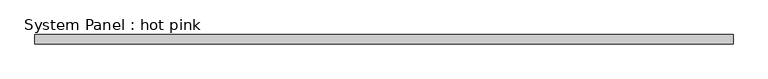
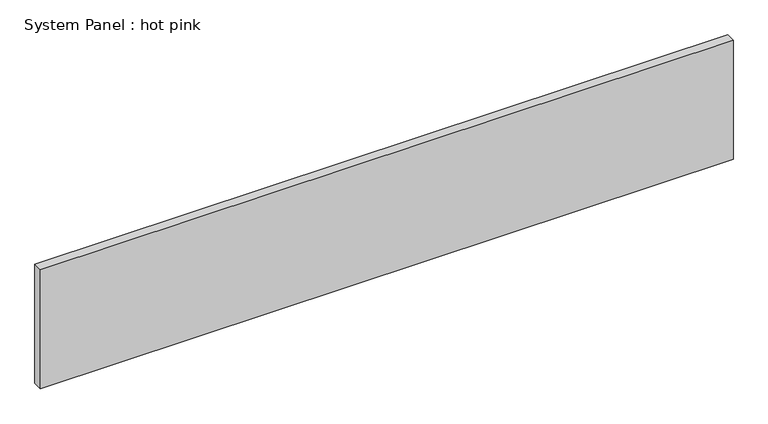
"""IFC4 building model written with IfcOpenShell, lengths in millimetres: plate geometry, System Panel : hot pink."""

from ifc_helpers import new_model, si_unit, origin, origin_with_axes, place, context, project, spatial, polyline, outline, extrude, source, transform, mapped, element, save


def system_panel_hot_pink_a99037b0(model_context):
    return source(origin(), model_context, "Body", "SweptSolid", [
        extrude(outline(polyline([(2339.6172358, -19.05), (-2339.6172358, -19.05), (-2339.6172358, 44.45), (2339.6172358, 44.45), (2339.6172358, -19.05)])), origin_with_axes(), (0.0, 0.0, 1.0), 850.9),
    ])


if __name__ == "__main__":
    model = new_model("IFC4")
    model_context = context("Model", 3, world=origin())
    ifc_project = project(units=[si_unit("LENGTHUNIT", "METRE", prefix="MILLI")], contexts=[model_context])
    site = spatial("IfcSite", under=ifc_project)
    building = spatial("IfcBuilding", under=site)
    placement = place(None, origin())
    system_panel_hot_pink_shape = system_panel_hot_pink_a99037b0(model_context)
    element("IfcPlate", 1, ObjectType="System Panel : hot pink", at=placement, inside=building, context=model_context, shape_type="MappedRepresentation", body=[
        mapped(system_panel_hot_pink_shape, transform((0.0, 0.0, 0.0), x_axis=(1.0, 0.0, 0.0), y_axis=(0.0, 1.0, 0.0), z_axis=(0.0, 0.0, 1.0))),
    ])
    save(model, "model.ifc")
